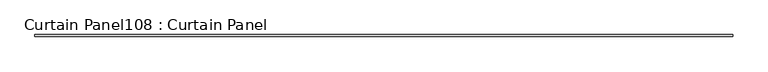
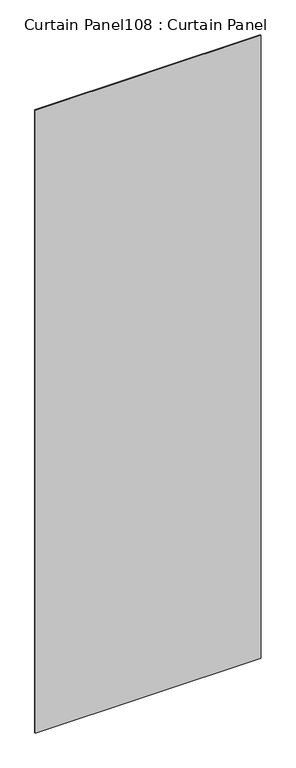
"""IFC4 building model written with IfcOpenShell, lengths in millimetres: plate geometry, Curtain Panel108 : Curtain Panel."""

from ifc_helpers import new_model, si_unit, frame, origin, place, context, project, spatial, polyline, outline, extrude, source, transform, mapped, element, save


def curtain_panel108_curtain_panel_f721e88d(model_context):
    return source(origin(), model_context, "Body", "SweptSolid", [
        extrude(outline(polyline([(243928.5386393, 2360.4734836), (241808.1466291, 2360.4734836), (241808.1466291, 2366.8234836), (243928.5386393, 2366.8234836), (243928.5386393, 2360.4734836)])), frame((0.0, 0.0, 4914.2249337), z_axis=(0.0, 0.0, 1.0), x_axis=(1.0, 0.0, 0.0)), (0.0, 0.0, 1.0), 6180.2087064),
    ])


if __name__ == "__main__":
    model = new_model("IFC4")
    model_context = context("Model", 3, world=origin())
    ifc_project = project(units=[si_unit("LENGTHUNIT", "METRE", prefix="MILLI")], contexts=[model_context])
    site = spatial("IfcSite", under=ifc_project)
    building = spatial("IfcBuilding", under=site)
    placement = place(None, origin())
    curtain_panel108_curtain_panel_shape = curtain_panel108_curtain_panel_f721e88d(model_context)
    element("IfcPlate", 1, ObjectType="Curtain Panel108 : Curtain Panel", at=placement, inside=building, context=model_context, shape_type="MappedRepresentation", body=[
        mapped(curtain_panel108_curtain_panel_shape, transform((0.0, 0.0, 0.0), x_axis=(1.0, 0.0, 0.0), y_axis=(0.0, 1.0, 0.0), z_axis=(0.0, 0.0, 1.0))),
    ])
    save(model, "model.ifc")
